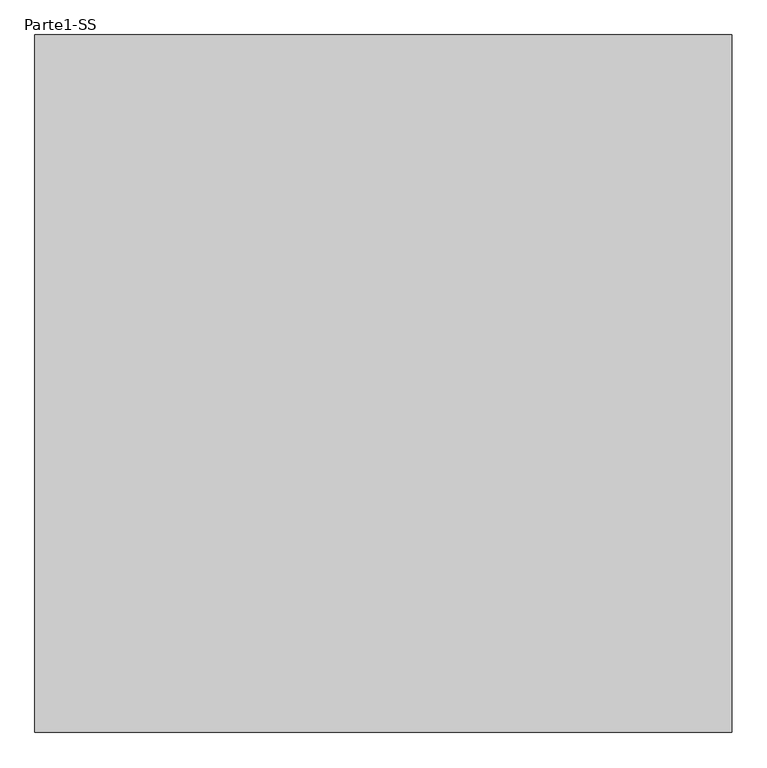
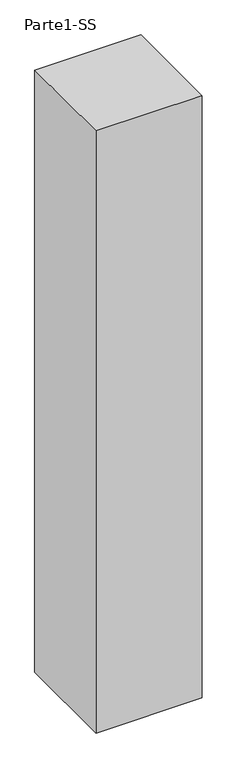
"""IFC4 building model written with IfcOpenShell, lengths in millimetres: proxy geometry, Parte1-SS."""

from ifc_helpers import new_model, si_unit, origin, origin_with_axes, place, context, project, spatial, polyline, outline, extrude, source, transform, mapped, element, save


def parte1_ss_359b08c0(model_context):
    return source(origin(), model_context, "Body", "SweptSolid", [
        extrude(outline(polyline([(2000.0, 2000.0), (2000.0, 0.0), (0.0, 0.0), (0.0, 2000.0), (2000.0, 2000.0)])), origin_with_axes(), (0.0, 0.0, 1.0), 12000.0),
    ])


if __name__ == "__main__":
    model = new_model("IFC4")
    model_context = context("Model", 3, world=origin())
    ifc_project = project(units=[si_unit("LENGTHUNIT", "METRE", prefix="MILLI")], contexts=[model_context])
    site = spatial("IfcSite", under=ifc_project)
    building = spatial("IfcBuilding", under=site)
    placement = place(None, origin())
    parte1_ss_shape = parte1_ss_359b08c0(model_context)
    element("IfcBuildingElementProxy", 1, Name="Parte1-SS", ObjectType="Parte1-SS", at=placement, inside=building, context=model_context, shape_type="MappedRepresentation", body=[
        mapped(parte1_ss_shape, transform((0.0, 0.0, 0.0), x_axis=(1.0, 0.0, 0.0), y_axis=(0.0, 1.0, 0.0), z_axis=(0.0, 0.0, 1.0))),
    ])
    save(model, "model.ifc")
